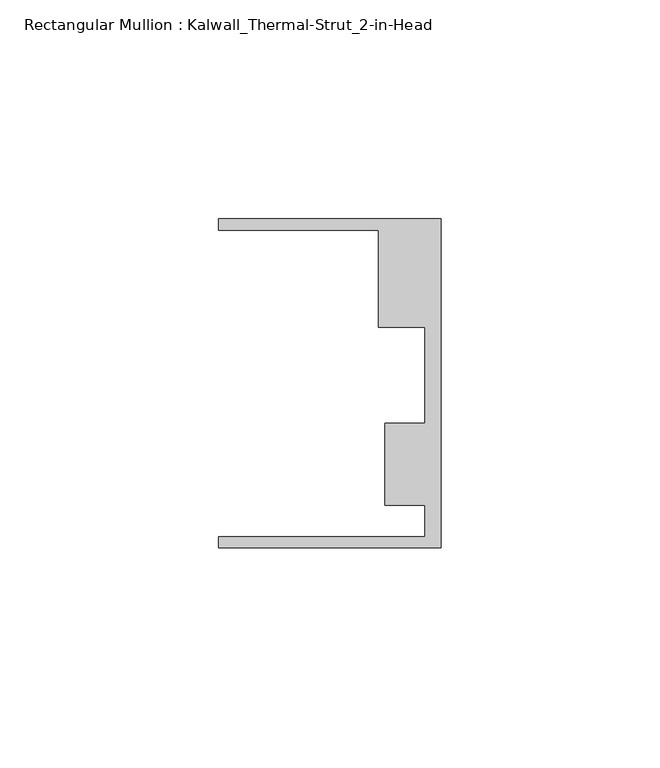
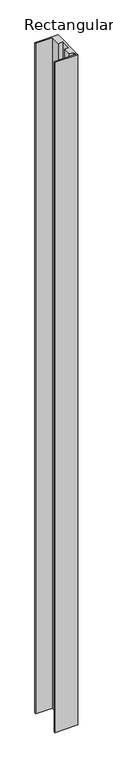
"""IFC4 building model written with IfcOpenShell, lengths in millimetres: member geometry, Rectangular Mullion : Kalwall_Thermal-Strut_2-in-Head."""

from ifc_helpers import new_model, si_unit, frame, origin, place, context, project, spatial, polyline, outline, extrude, source, transform, mapped, element, save


def rectangular_mullion_kalwall_thermal_strut_2_in_head_27c01fc0(model_context):
    return source(origin(), model_context, "Body", "SweptSolid", [
        extrude(outline(polyline([(0.0, -37.5776386), (-50.8, -37.5776386), (-50.8, -35.0376386), (-3.7084, -35.0376386), (-3.7084, -27.8888568), (-12.8272539, -27.8888568), (-12.8272539, -9.1879886), (-3.7084, -9.1879886), (-3.7084, 12.7373614), (-14.2875, 12.7373614), (-14.2875, 34.9623614), (-50.8, 34.9623614), (-50.8, 37.5023614), (0.0, 37.5023614), (0.0, -37.5776386)])), frame((0.0, 0.0, -1553.0068), z_axis=(0.0, 0.0, 1.0), x_axis=(1.0, 0.0, 0.0)), (0.0, 0.0, 1.0), 1553.0068),
    ])


if __name__ == "__main__":
    model = new_model("IFC4")
    model_context = context("Model", 3, world=origin())
    ifc_project = project(units=[si_unit("LENGTHUNIT", "METRE", prefix="MILLI")], contexts=[model_context])
    site = spatial("IfcSite", under=ifc_project)
    building = spatial("IfcBuilding", under=site)
    placement = place(None, origin())
    rectangular_mullion_kalwall_thermal_strut_2_in_head_shape = rectangular_mullion_kalwall_thermal_strut_2_in_head_27c01fc0(model_context)
    element("IfcMember", 1, ObjectType="Rectangular Mullion : Kalwall_Thermal-Strut_2-in-Head", at=placement, inside=building, context=model_context, shape_type="MappedRepresentation", body=[
        mapped(rectangular_mullion_kalwall_thermal_strut_2_in_head_shape, transform((0.0, 0.0, 0.0), x_axis=(1.0, 0.0, 0.0), y_axis=(0.0, 1.0, 0.0), z_axis=(0.0, 0.0, 1.0))),
    ])
    save(model, "model.ifc")
